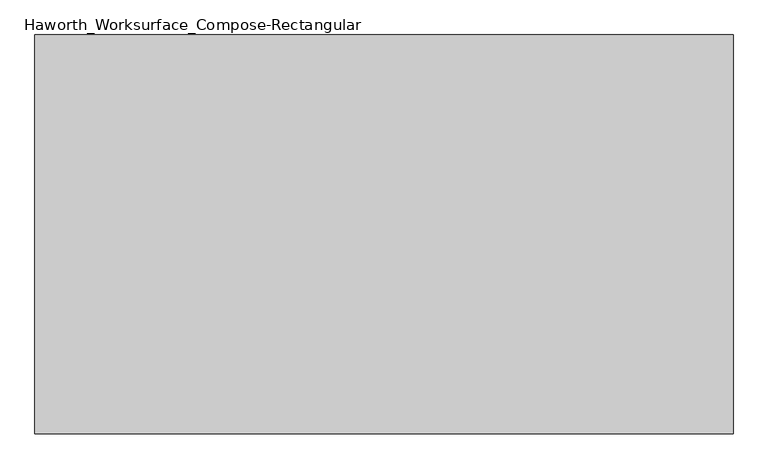
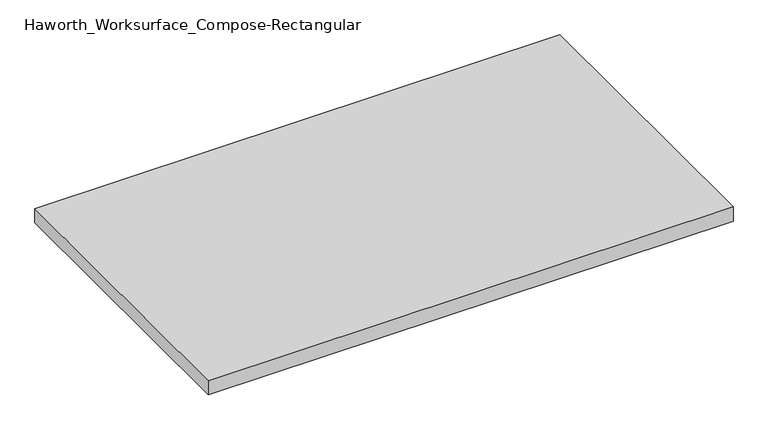
"""IFC4 building model written with IfcOpenShell, lengths in millimetres: furniture geometry, Haworth_Worksurface_Compose-Rectangular."""

from ifc_helpers import new_model, si_unit, frame, origin, place, context, project, spatial, polyline, outline, extrude, source, transform, mapped, element, save


def haworth_worksurface_compose_rectangular_109b4a99(model_context):
    return source(origin(), model_context, "Body", "SweptSolid", [
        extrude(outline(polyline([(533.4, 304.8), (533.4, -304.8), (-533.4, -304.8), (-533.4, 304.8), (533.4, 304.8)])), frame((0.0, 0.0, 706.4375), z_axis=(0.0, 0.0, 1.0), x_axis=(1.0, 0.0, 0.0)), (0.0, 0.0, 1.0), 30.1625),
    ])


if __name__ == "__main__":
    model = new_model("IFC4")
    model_context = context("Model", 3, world=origin())
    ifc_project = project(units=[si_unit("LENGTHUNIT", "METRE", prefix="MILLI")], contexts=[model_context])
    site = spatial("IfcSite", under=ifc_project)
    building = spatial("IfcBuilding", under=site)
    placement = place(None, origin())
    haworth_worksurface_compose_rectangular_shape = haworth_worksurface_compose_rectangular_109b4a99(model_context)
    element("IfcFurniture", 1, ObjectType="Haworth_Worksurface_Compose-Rectangular", at=placement, inside=building, context=model_context, shape_type="MappedRepresentation", body=[
        mapped(haworth_worksurface_compose_rectangular_shape, transform((0.0, 0.0, 0.0), x_axis=(1.0, 0.0, 0.0), y_axis=(0.0, 1.0, 0.0), z_axis=(0.0, 0.0, 1.0))),
    ])
    save(model, "model.ifc")
